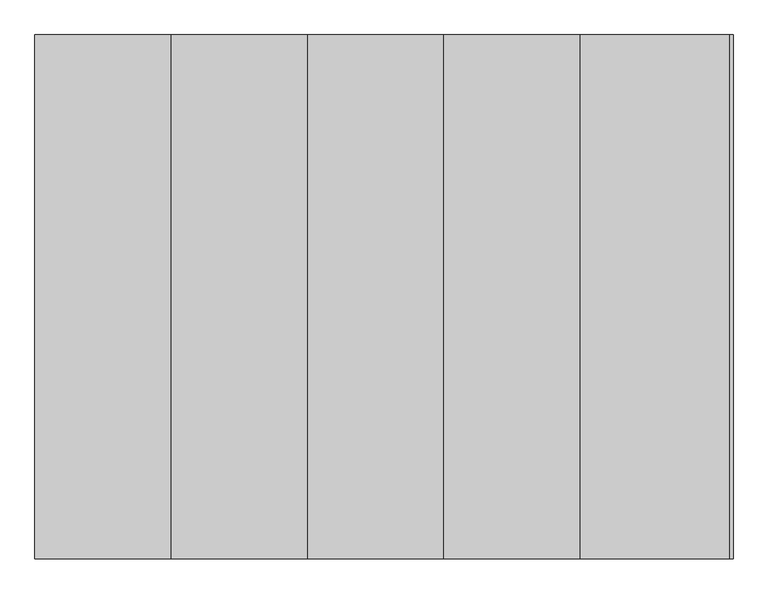
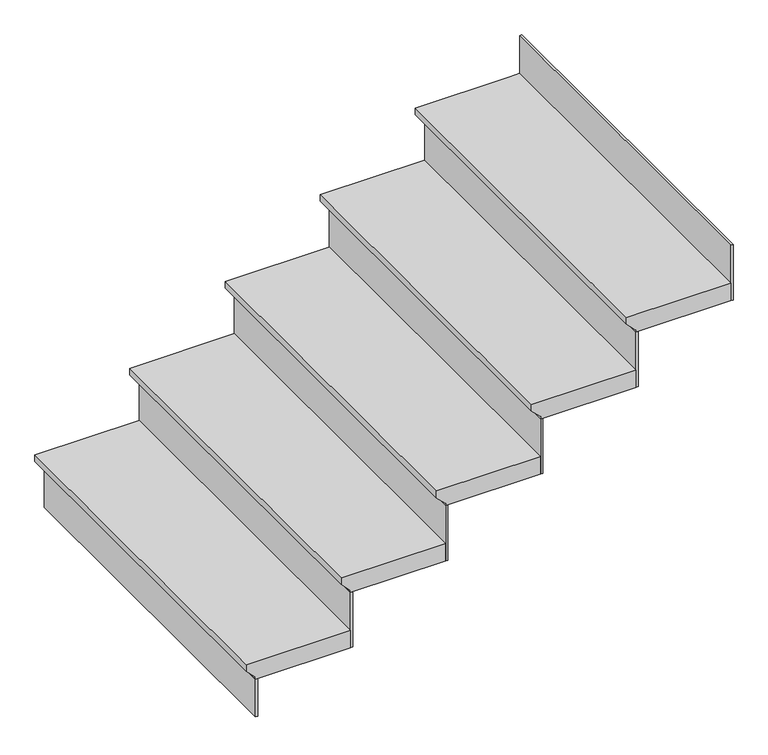
"""IFC4 building model written with IfcOpenShell, lengths in millimetres: stair flight geometry."""

from ifc_helpers import new_model, si_unit, origin, place, context, project, spatial, faceted_brep, source, transform, mapped, element, save


def stair_flight_95d34069(model_context):
    return source(origin(), model_context, "Body", "Brep", [
        faceted_brep([(-3958.5854491, -3052.8937808, 160.0), (-3958.5854491, -4052.8937808, 160.0), (-3673.1854491, -4052.8937808, 160.0), (-3673.1854491, -3052.8937808, 160.0), (-3933.1854491, -3052.8937808, 109.2), (-3673.1854491, -3052.8937808, 109.2), (-3673.1854491, -4052.8937808, 109.2), (-3933.1854491, -4052.8937808, 109.2), (-3933.1854491, -3052.8937808, 115.55), (-3958.5854491, -3052.8937808, 140.95), (-3933.1854491, -4052.8937808, 115.55), (-3958.5854491, -4052.8937808, 140.95)], [[[0, 1, 2, 3]], [[4, 5, 6, 7]], [[0, 3, 5, 4, 8, 9]], [[4, 7, 10, 8]], [[2, 1, 11, 10, 7, 6]], [[3, 2, 6, 5]], [[11, 1, 0, 9]], [[10, 11, 9, 8]]]),
        faceted_brep([(-3933.1854491, -4052.8937808, 109.2), (-3933.1854491, -4052.8937808, 0.0), (-3926.8354491, -4052.8937808, 0.0), (-3926.8354491, -4052.8937808, 109.2), (-3933.1854491, -3052.8937808, 109.2), (-3926.8354491, -3052.8937808, 109.2), (-3926.8354491, -3052.8937808, 0.0), (-3933.1854491, -3052.8937808, 0.0)], [[[0, 1, 2, 3]], [[4, 5, 6, 7]], [[1, 0, 4, 7]], [[2, 1, 7, 6]], [[3, 2, 6, 5]], [[0, 3, 5, 4]]]),
        faceted_brep([(-3698.5854491, -3052.8937808, 320.0), (-3698.5854491, -4052.8937808, 320.0), (-3413.1854491, -4052.8937808, 320.0), (-3413.1854491, -3052.8937808, 320.0), (-3673.1854491, -3052.8937808, 269.2), (-3413.1854491, -3052.8937808, 269.2), (-3413.1854491, -4052.8937808, 269.2), (-3673.1854491, -4052.8937808, 269.2), (-3673.1854491, -3052.8937808, 275.55), (-3698.5854491, -3052.8937808, 300.95), (-3673.1854491, -4052.8937808, 275.55), (-3698.5854491, -4052.8937808, 300.95)], [[[0, 1, 2, 3]], [[4, 5, 6, 7]], [[0, 3, 5, 4, 8, 9]], [[4, 7, 10, 8]], [[2, 1, 11, 10, 7, 6]], [[3, 2, 6, 5]], [[11, 1, 0, 9]], [[10, 11, 9, 8]]]),
        faceted_brep([(-3673.1854491, -4052.8937808, 269.2), (-3673.1854491, -4052.8937808, 109.2), (-3666.8354491, -4052.8937808, 109.2), (-3666.8354491, -4052.8937808, 269.2), (-3673.1854491, -3052.8937808, 269.2), (-3666.8354491, -3052.8937808, 269.2), (-3666.8354491, -3052.8937808, 109.2), (-3673.1854491, -3052.8937808, 109.2)], [[[0, 1, 2, 3]], [[4, 5, 6, 7]], [[1, 0, 4, 7]], [[2, 1, 7, 6]], [[3, 2, 6, 5]], [[0, 3, 5, 4]]]),
        faceted_brep([(-3438.5854491, -3052.8937808, 480.0), (-3438.5854491, -4052.8937808, 480.0), (-3153.1854491, -4052.8937808, 480.0), (-3153.1854491, -3052.8937808, 480.0), (-3413.1854491, -3052.8937808, 429.2), (-3153.1854491, -3052.8937808, 429.2), (-3153.1854491, -4052.8937808, 429.2), (-3413.1854491, -4052.8937808, 429.2), (-3413.1854491, -3052.8937808, 435.55), (-3438.5854491, -3052.8937808, 460.95), (-3413.1854491, -4052.8937808, 435.55), (-3438.5854491, -4052.8937808, 460.95)], [[[0, 1, 2, 3]], [[4, 5, 6, 7]], [[0, 3, 5, 4, 8, 9]], [[4, 7, 10, 8]], [[2, 1, 11, 10, 7, 6]], [[3, 2, 6, 5]], [[11, 1, 0, 9]], [[10, 11, 9, 8]]]),
        faceted_brep([(-3413.1854491, -4052.8937808, 429.2), (-3413.1854491, -4052.8937808, 269.2), (-3406.8354491, -4052.8937808, 269.2), (-3406.8354491, -4052.8937808, 429.2), (-3413.1854491, -3052.8937808, 429.2), (-3406.8354491, -3052.8937808, 429.2), (-3406.8354491, -3052.8937808, 269.2), (-3413.1854491, -3052.8937808, 269.2)], [[[0, 1, 2, 3]], [[4, 5, 6, 7]], [[1, 0, 4, 7]], [[2, 1, 7, 6]], [[3, 2, 6, 5]], [[0, 3, 5, 4]]]),
        faceted_brep([(-3178.5854491, -3052.8937808, 640.0), (-3178.5854491, -4052.8937808, 640.0), (-2893.1854491, -4052.8937808, 640.0), (-2893.1854491, -3052.8937808, 640.0), (-3153.1854491, -3052.8937808, 589.2), (-2893.1854491, -3052.8937808, 589.2), (-2893.1854491, -4052.8937808, 589.2), (-3153.1854491, -4052.8937808, 589.2), (-3153.1854491, -3052.8937808, 595.55), (-3178.5854491, -3052.8937808, 620.95), (-3153.1854491, -4052.8937808, 595.55), (-3178.5854491, -4052.8937808, 620.95)], [[[0, 1, 2, 3]], [[4, 5, 6, 7]], [[0, 3, 5, 4, 8, 9]], [[4, 7, 10, 8]], [[2, 1, 11, 10, 7, 6]], [[3, 2, 6, 5]], [[11, 1, 0, 9]], [[10, 11, 9, 8]]]),
        faceted_brep([(-3153.1854491, -4052.8937808, 589.2), (-3153.1854491, -4052.8937808, 429.2), (-3146.8354491, -4052.8937808, 429.2), (-3146.8354491, -4052.8937808, 589.2), (-3153.1854491, -3052.8937808, 589.2), (-3146.8354491, -3052.8937808, 589.2), (-3146.8354491, -3052.8937808, 429.2), (-3153.1854491, -3052.8937808, 429.2)], [[[0, 1, 2, 3]], [[4, 5, 6, 7]], [[1, 0, 4, 7]], [[2, 1, 7, 6]], [[3, 2, 6, 5]], [[0, 3, 5, 4]]]),
        faceted_brep([(-2633.1854491, -3052.8937808, 800.0), (-2658.5854491, -3052.8937808, 800.0), (-2918.5854491, -3052.8937808, 800.0), (-2918.5854491, -4052.8937808, 800.0), (-2633.1854491, -4052.8937808, 800.0), (-2658.5854491, -3052.8937808, 749.2), (-2633.1854491, -3052.8937808, 749.2), (-2633.1854491, -4052.8937808, 749.2), (-2893.1854491, -4052.8937808, 749.2), (-2893.1854491, -3052.8937808, 749.2), (-2893.1854491, -4052.8937808, 755.55), (-2893.1854491, -3052.8937808, 755.55), (-2918.5854491, -4052.8937808, 780.95), (-2918.5854491, -3052.8937808, 780.95)], [[[0, 1, 2, 3, 4]], [[5, 6, 7, 8, 9]], [[1, 0, 6, 5]], [[9, 8, 10, 11]], [[4, 3, 12, 10, 8, 7]], [[0, 4, 7, 6]], [[12, 3, 2, 13]], [[10, 12, 13, 11]], [[2, 1, 5, 9, 11, 13]]]),
        faceted_brep([(-2893.1854491, -4052.8937808, 749.2), (-2893.1854491, -4052.8937808, 589.2), (-2886.8354491, -4052.8937808, 589.2), (-2886.8354491, -4052.8937808, 749.2), (-2893.1854491, -3052.8937808, 749.2), (-2886.8354491, -3052.8937808, 749.2), (-2886.8354491, -3052.8937808, 589.2), (-2893.1854491, -3052.8937808, 589.2)], [[[0, 1, 2, 3]], [[4, 5, 6, 7]], [[1, 0, 4, 7]], [[2, 1, 7, 6]], [[3, 2, 6, 5]], [[0, 3, 5, 4]]]),
        faceted_brep([(-2633.1854491, -4052.8937808, 909.2), (-2633.1854491, -4052.8937808, 749.2), (-2626.8354491, -4052.8937808, 749.2), (-2626.8354491, -4052.8937808, 909.2), (-2633.1854491, -3052.8937808, 909.2), (-2626.8354491, -3052.8937808, 909.2), (-2626.8354491, -3052.8937808, 749.2), (-2633.1854491, -3052.8937808, 749.2)], [[[0, 1, 2, 3]], [[4, 5, 6, 7]], [[1, 0, 4, 7]], [[2, 1, 7, 6]], [[3, 2, 6, 5]], [[0, 3, 5, 4]]]),
    ])


if __name__ == "__main__":
    model = new_model("IFC4")
    model_context = context("Model", 3, world=origin())
    ifc_project = project(units=[si_unit("LENGTHUNIT", "METRE", prefix="MILLI")], contexts=[model_context])
    site = spatial("IfcSite", under=ifc_project)
    building = spatial("IfcBuilding", under=site)
    placement = place(None, origin())
    stair_flight_shape = stair_flight_95d34069(model_context)
    element("IfcStairFlight", 1, at=placement, inside=building, context=model_context, shape_type="MappedRepresentation", body=[
        mapped(stair_flight_shape, transform((0.0, 0.0, 0.0), x_axis=(1.0, 0.0, 0.0), y_axis=(0.0, 1.0, 0.0), z_axis=(0.0, 0.0, 1.0))),
    ])
    save(model, "model.ifc")
